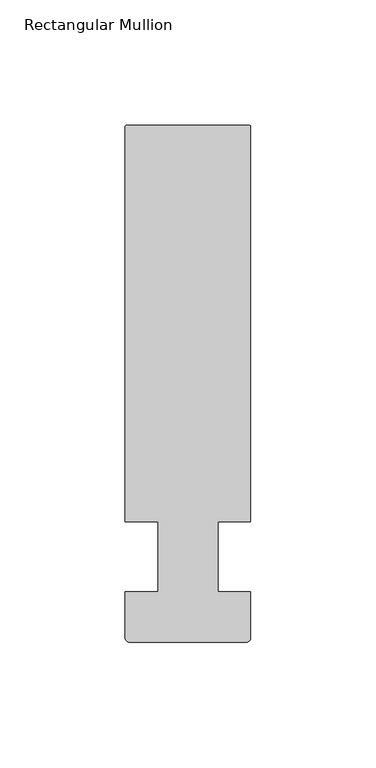
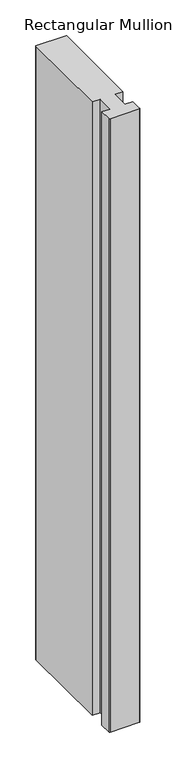
"""IFC4 building model written with IfcOpenShell, lengths in millimetres: member geometry, Rectangular Mullion."""

from ifc_helpers import new_model, si_unit, point, frame, frame_2d, origin, place, context, project, spatial, polyline, circle_curve, trimmed, segment, composite_curve, outline, extrude, source, transform, mapped, element, save


def rectangular_mullion_d49a174c(model_context):
    return source(origin(), model_context, "Body", "SweptSolid", [
        extrude(outline(composite_curve([segment(trimmed(circle_curve(frame_2d((24.5, 171.500001)), 0.5), [point((24.5, 172.000001))], [point((25.0, 171.500001))], False, "CARTESIAN"), True, "CONTINUOUS"), segment(polyline([(25.0, 171.500001), (25.0, 14.0), (12.0, 14.0), (12.0, -14.0), (25.0000001, -14.0), (25.0000001, -32.4268412)]), True, "CONTINUOUS"), segment(trimmed(circle_curve(frame_2d((23.4268422, -32.4268412)), 1.5731578), [point((25.0000001, -32.4268412))], [point((23.4268422, -33.999999))], False, "CARTESIAN"), True, "CONTINUOUS"), segment(polyline([(23.4268422, -33.999999), (-23.3824576, -33.999999)]), True, "CONTINUOUS"), segment(trimmed(circle_curve(frame_2d((-23.3824576, -32.3824565)), 1.6175425), [point((-23.3824576, -33.999999))], [point((-25.0000001, -32.3824565))], False, "CARTESIAN"), True, "CONTINUOUS"), segment(polyline([(-25.0000001, -32.3824565), (-25.0000001, -14.0), (-11.999514, -14.0), (-11.999514, 14.0), (-25.0, 14.0), (-25.0, 171.500001)]), True, "CONTINUOUS"), segment(trimmed(circle_curve(frame_2d((-24.5, 171.500001)), 0.5), [point((-25.0, 171.500001))], [point((-24.5, 172.000001))], False, "CARTESIAN"), True, "CONTINUOUS"), segment(polyline([(-24.5, 172.000001), (24.5, 172.000001)]), True, "CONTINUOUS")], self_intersect=False)), frame((0.0, 0.0, -1050.0), z_axis=(0.0, 0.0, 1.0), x_axis=(1.0, 0.0, 0.0)), (0.0, 0.0, 1.0), 1050.0),
    ])


if __name__ == "__main__":
    model = new_model("IFC4")
    model_context = context("Model", 3, world=origin())
    ifc_project = project(units=[si_unit("LENGTHUNIT", "METRE", prefix="MILLI")], contexts=[model_context])
    site = spatial("IfcSite", under=ifc_project)
    building = spatial("IfcBuilding", under=site)
    placement = place(None, origin())
    rectangular_mullion_shape = rectangular_mullion_d49a174c(model_context)
    element("IfcMember", 1, ObjectType="Rectangular Mullion", at=placement, inside=building, context=model_context, shape_type="MappedRepresentation", body=[
        mapped(rectangular_mullion_shape, transform((0.0, 0.0, 0.0), x_axis=(1.0, 0.0, 0.0), y_axis=(0.0, 1.0, 0.0), z_axis=(0.0, 0.0, 1.0))),
    ])
    save(model, "model.ifc")
